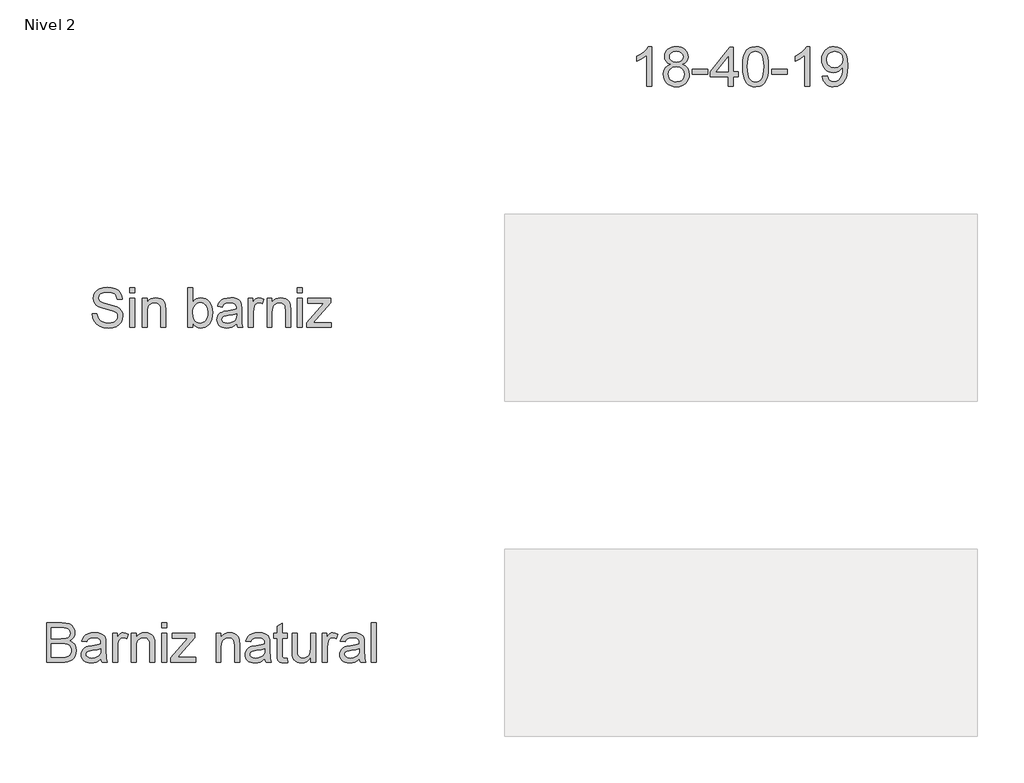
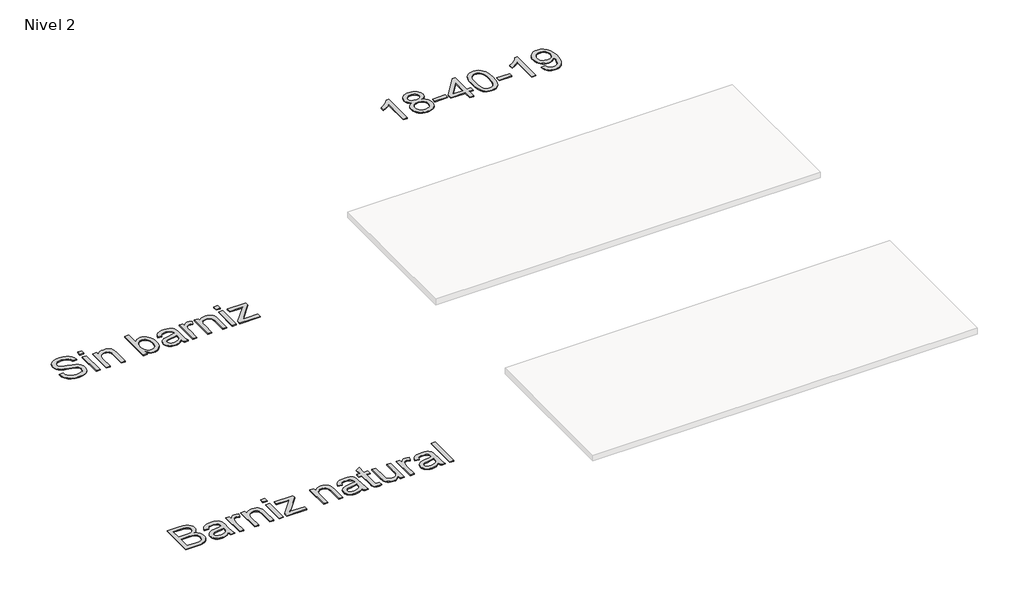
# One storey, part 13 of 51: 3 proxies.
"""IFC4 building model written with IfcOpenShell, lengths in millimetres."""

from ifc_helpers import new_model, si_unit, frame, origin, place, context, project, spatial, polyline, outline, extrude, element, save

model = new_model("IFC4")

# Units and contexts
model_context = context("Model", 3, world=origin())
ifc_project = project(units=[si_unit("LENGTHUNIT", "METRE", prefix="MILLI")], contexts=[model_context])

# Site, building, storey
site = spatial("IfcSite", under=ifc_project)
building = spatial("IfcBuilding", under=site)
storey = spatial("IfcBuildingStorey", under=building, Name="Nivel 2", Elevation=3000.0)

# Proxies
placement = place(None, origin())
element("IfcBuildingElementProxy", 1, Name="Texto de modelo 1", ObjectType="Texto de modelo 1", at=placement, inside=storey, context=model_context, shape_type="SweptSolid", body=[
    extrude(outline(polyline([(-14286.3795874, -18559.0358117), (-14236.1514323, -18559.0358117), (-14230.3879477, -18586.9090042), (-14219.9646245, -18609.3130177), (-14203.7042403, -18627.0939808), (-14180.4295728, -18641.0980221), (-14151.9800318, -18650.1847074), (-14120.1950274, -18653.2136024), (-14092.2114703, -18650.9204713), (-14067.7105294, -18644.041078), (-14047.8571644, -18633.151771), (-14033.8163349, -18618.8288986), (-14025.4654137, -18602.3845734), (-14022.6817732, -18585.1309079), (-14024.7664379, -18568.3187007), (-14031.0204318, -18553.7873619), (-14043.7246233, -18541.3897386), (-14065.1598809, -18530.9786782), (-14138.2948216, -18511.7997635), (-14186.3034219, -18499.1078347), (-14217.0215685, -18487.0290425), (-14242.0252815, -18470.1309962), (-14259.7449309, -18449.6522318), (-14270.3031442, -18426.0342077), (-14273.8225486, -18399.7183823), (-14269.4692783, -18370.3000854), (-14256.4094675, -18342.8683513), (-14234.9864726, -18319.6182092), (-14205.5436503, -18302.7446884), (-14170.2024533, -18292.4807807), (-14131.0843345, -18289.0594782), (-14088.7043286, -18292.6401962), (-14051.6218235, -18303.3823505), (-14021.1611943, -18321.0652117), (-13998.6468162, -18345.4680507), (-13984.3975203, -18375.0702886), (-13978.7321375, -18408.3513465), (-14028.9602926, -18408.3513465), (-14038.181868, -18378.3812266), (-14046.545052, -18366.5231636), (-14057.4098336, -18356.7497653), (-14087.4535298, -18343.6531662), (-14129.1222972, -18339.2876332), (-14171.7720831, -18343.6041153), (-14188.0753869, -18348.9997179), (-14201.0309645, -18356.5535615), (-14217.9535363, -18375.6098489), (-14223.5943935, -18398.2468543), (-14219.5967425, -18417.5483963), (-14207.6037895, -18433.0730165), (-14179.2523504, -18446.9544305), (-14125.59063, -18461.13015), (-14070.212127, -18474.5946311), (-14036.71034, -18486.3423294), (-14008.076858, -18504.5647509), (-13988.1008657, -18527.0546036), (-13976.36543, -18553.5666327), (-13972.4536181, -18583.8555836), (-13976.9540412, -18614.8189849), (-13990.4553104, -18643.9429762), (-14012.4056028, -18669.0080028), (-14042.2530954, -18687.79451), (-14078.1461154, -18699.5299456), (-14118.2329901, -18703.4417575), (-14167.4433383, -18699.2233773), (-14207.947146, -18686.5682367), (-14240.210397, -18665.4272847), (-14264.6990751, -18635.7514704), (-14280.419899, -18599.600933), (-14286.3795874, -18559.0358117)])), frame((0.0, 0.0, 3000.0), z_axis=(0.0, 0.0, 1.0), x_axis=(1.0, 0.0, 0.0)), (0.0, 0.0, 1.0), 10.0),
    extrude(outline(polyline([(-13903.3899049, -18345.5661526), (-13903.3899049, -18295.3379975), (-13853.1617498, -18295.3379975), (-13853.1617498, -18345.5661526), (-13903.3899049, -18345.5661526)])), frame((0.0, 0.0, 3000.0), z_axis=(0.0, 0.0, 1.0), x_axis=(1.0, 0.0, 0.0)), (0.0, 0.0, 1.0), 10.0),
    extrude(outline(polyline([(-13903.3899049, -18697.1632381), (-13903.3899049, -18402.0728271), (-13853.1617498, -18402.0728271), (-13853.1617498, -18697.1632381), (-13903.3899049, -18697.1632381)])), frame((0.0, 0.0, 3000.0), z_axis=(0.0, 0.0, 1.0), x_axis=(1.0, 0.0, 0.0)), (0.0, 0.0, 1.0), 10.0),
    extrude(outline(polyline([(-13777.8195172, -18697.1632381), (-13777.8195172, -18402.0728271), (-13727.5913622, -18402.0728271), (-13727.5913622, -18443.2756105), (-13710.1414929, -18422.5025405), (-13689.1844819, -18407.6646334), (-13664.7203292, -18398.7618891), (-13636.7490348, -18395.7943077), (-13611.9905765, -18398.1855407), (-13589.3167829, -18405.3592396), (-13570.4076484, -18416.4202249), (-13556.9431673, -18430.4733171), (-13547.8074311, -18447.481728), (-13541.884531, -18467.4086694), (-13539.2357806, -18515.9690928), (-13539.2357806, -18697.1632381), (-13589.4639357, -18697.1632381), (-13589.4639357, -18522.7381215), (-13590.9109382, -18496.7656526), (-13595.2519458, -18478.2979765), (-13603.2595105, -18465.0664874), (-13615.7061847, -18454.8025797), (-13631.6600005, -18448.217492), (-13650.1889904, -18446.0224628), (-13679.6072873, -18450.9520815), (-13704.6845766, -18465.7409377), (-13714.7062953, -18477.8135985), (-13721.8646658, -18494.313106), (-13726.1596881, -18515.2394602), (-13727.5913622, -18540.592661), (-13727.5913622, -18697.1632381), (-13777.8195172, -18697.1632381)])), frame((0.0, 0.0, 3000.0), z_axis=(0.0, 0.0, 1.0), x_axis=(1.0, 0.0, 0.0)), (0.0, 0.0, 1.0), 10.0),
    extrude(outline(polyline([(-13262.9809277, -18697.1632381), (-13313.2090828, -18697.1632381), (-13313.2090828, -18295.3379975), (-13262.9809277, -18295.3379975), (-13262.9809277, -18444.3547311), (-13246.4630261, -18423.1095458), (-13227.811409, -18407.9344135), (-13207.0260762, -18398.8293341), (-13184.107028, -18395.7943077), (-13158.232661, -18398.5288972), (-13133.780771, -18406.7326657), (-13112.1493097, -18419.8905784), (-13094.7362286, -18437.4876005), (-13081.0878066, -18459.3520537), (-13070.7503225, -18485.3122598), (-13064.2388112, -18514.2890983), (-13062.0683074, -18545.2034487), (-13064.3154533, -18580.8757395), (-13071.0568908, -18612.2560737), (-13082.2926201, -18639.3444512), (-13098.0226411, -18662.1408722), (-13116.9041845, -18680.2100095), (-13137.594481, -18693.1165362), (-13160.0935307, -18700.8604522), (-13184.4013335, -18703.4417575), (-13208.0745399, -18700.1124255), (-13229.0622078, -18690.1244293), (-13247.364337, -18673.477769), (-13262.9809277, -18650.1724446), (-13262.9809277, -18697.1632381)]), holes=[polyline([(-13262.9809277, -18547.5578934), (-13259.5473624, -18589.4473899), (-13249.2466666, -18617.798829), (-13237.0759039, -18633.2927924), (-13222.9308412, -18644.3599091), (-13206.8114784, -18651.0001791), (-13188.7178156, -18653.2136024), (-13173.6959675, -18651.5826589), (-13159.7287144, -18646.6898284), (-13146.8160564, -18638.5351108), (-13134.9579934, -18627.1185063), (-13125.0435736, -18612.4706715), (-13117.9618452, -18594.6222633), (-13113.7128082, -18573.5732819), (-13112.2964625, -18549.323727), (-13117.7288533, -18503.3630031), (-13124.5193418, -18485.5697772), (-13134.0260257, -18471.2346422), (-13145.4579587, -18460.2043137), (-13158.0241945, -18452.3255076), (-13171.7247331, -18447.598224), (-13186.5595746, -18446.0224628), (-13201.5814227, -18447.6534063), (-13215.5486758, -18452.5462368), (-13228.4613338, -18460.7009544), (-13240.3193968, -18472.117559), (-13250.2338166, -18486.6182409), (-13257.315545, -18504.0251907), (-13261.564582, -18524.3384082), (-13262.9809277, -18547.5578934)])]), frame((0.0, 0.0, 3000.0), z_axis=(0.0, 0.0, 1.0), x_axis=(1.0, 0.0, 0.0)), (0.0, 0.0, 1.0), 10.0),
    extrude(outline(polyline([(-12817.2060514, -18659.4921218), (-12841.2042202, -18680.0689881), (-12865.9136276, -18693.5334691), (-12891.8983592, -18700.9646854), (-12919.7225008, -18703.4417575), (-12942.0866604, -18701.9518354), (-12961.6978364, -18697.4820692), (-12978.5560288, -18690.0324588), (-12992.6612377, -18679.6030042), (-13003.7988651, -18666.8558931), (-13011.7543132, -18652.453313), (-13016.5275821, -18636.3952639), (-13018.1186717, -18618.6817458), (-13015.715176, -18597.8596249), (-13008.5046889, -18578.9504904), (-12997.3823899, -18562.7636826), (-12983.2434586, -18550.1085419), (-12966.6274551, -18540.5436101), (-12948.0739398, -18533.6274285), (-12904.6148135, -18526.0735849), (-12853.258487, -18518.1273338), (-12817.500357, -18508.8076566), (-12817.2060514, -18497.624044), (-12820.6641422, -18475.2077677), (-12831.0384144, -18460.5415388), (-12854.2395056, -18449.6522318), (-12886.5640703, -18446.0224628), (-12916.4851392, -18448.4382212), (-12937.3808365, -18455.6854965), (-12951.6301325, -18469.0886639), (-12961.6119973, -18489.9720985), (-13011.8401523, -18483.6935791), (-13003.1213491, -18456.2250568), (-12990.1105892, -18434.6426464), (-12971.5938621, -18418.1370075), (-12946.3571572, -18405.8987998), (-12915.4918578, -18398.3204307), (-12880.0893471, -18395.7943077), (-12846.133839, -18398.0261251), (-12819.2171397, -18404.7215774), (-12798.9223163, -18414.7892814), (-12784.8324359, -18427.1378537), (-12775.4882332, -18442.4049565), (-12769.430443, -18461.2282519), (-12766.9778964, -18505.1778876), (-12766.9778964, -18567.6687758), (-12764.4272479, -18654.9303851), (-12754.4208576, -18697.1632381), (-12804.6490127, -18697.1632381), (-12812.6933656, -18679.7011061), (-12817.2060514, -18659.4921218)]), holes=[polyline([(-12817.2060514, -18559.0358117), (-12850.9530931, -18567.3989957), (-12898.2381922, -18574.4378045), (-12941.4520639, -18582.5802594), (-12952.6969903, -18588.1475402), (-12961.0233861, -18595.8240112), (-12966.173734, -18605.0210611), (-12967.8905167, -18615.1500787), (-12964.150383, -18630.0860877), (-12952.9299822, -18642.3242954), (-12934.4745688, -18650.4912757), (-12909.0293974, -18653.2136024), (-12882.0513844, -18650.2092328), (-12858.2126312, -18641.1961239), (-12838.8865637, -18627.9155839), (-12825.4466081, -18612.1089209), (-12819.4869198, -18595.8240112), (-12817.500357, -18573.2605822), (-12817.2060514, -18559.0358117)])]), frame((0.0, 0.0, 3000.0), z_axis=(0.0, 0.0, 1.0), x_axis=(1.0, 0.0, 0.0)), (0.0, 0.0, 1.0), 10.0),
    extrude(outline(polyline([(-12697.9141831, -18697.1632381), (-12697.9141831, -18402.0728271), (-12653.9645474, -18402.0728271), (-12653.9645474, -18445.7281572), (-12637.7286887, -18420.4178759), (-12622.7681542, -18405.5063924), (-12607.7585688, -18398.2223289), (-12591.3755573, -18395.7943077), (-12566.3595816, -18399.6693314), (-12540.9511985, -18411.2944024), (-12557.7266175, -18456.3231586), (-12575.3849533, -18448.5976367), (-12593.043289, -18446.0224628), (-12608.0406117, -18448.4995349), (-12621.4437791, -18455.9307512), (-12632.2717725, -18467.7520259), (-12639.5435732, -18483.3992735), (-12645.6504143, -18511.456407), (-12647.686028, -18542.064189), (-12647.686028, -18697.1632381), (-12697.9141831, -18697.1632381)])), frame((0.0, 0.0, 3000.0), z_axis=(0.0, 0.0, 1.0), x_axis=(1.0, 0.0, 0.0)), (0.0, 0.0, 1.0), 10.0),
    extrude(outline(polyline([(-12509.5586016, -18697.1632381), (-12509.5586016, -18402.0728271), (-12459.3304465, -18402.0728271), (-12459.3304465, -18443.2756105), (-12441.8805772, -18422.5025405), (-12420.9235662, -18407.6646334), (-12396.4594135, -18398.7618891), (-12368.4881192, -18395.7943077), (-12343.7296609, -18398.1855407), (-12321.0558673, -18405.3592396), (-12302.1467327, -18416.4202249), (-12288.6822517, -18430.4733171), (-12279.5465155, -18447.481728), (-12273.6236154, -18467.4086694), (-12270.974865, -18515.9690928), (-12270.974865, -18697.1632381), (-12321.2030201, -18697.1632381), (-12321.2030201, -18522.7381215), (-12322.6500226, -18496.7656526), (-12326.9910301, -18478.2979765), (-12334.9985949, -18465.0664874), (-12347.4452691, -18454.8025797), (-12363.3990849, -18448.217492), (-12381.9280747, -18446.0224628), (-12411.3463716, -18450.9520815), (-12436.423661, -18465.7409377), (-12446.4453796, -18477.8135985), (-12453.6037501, -18494.313106), (-12457.8987724, -18515.2394602), (-12459.3304465, -18540.592661), (-12459.3304465, -18697.1632381), (-12509.5586016, -18697.1632381)])), frame((0.0, 0.0, 3000.0), z_axis=(0.0, 0.0, 1.0), x_axis=(1.0, 0.0, 0.0)), (0.0, 0.0, 1.0), 10.0),
    extrude(outline(polyline([(-12201.9111518, -18345.5661526), (-12201.9111518, -18295.3379975), (-12151.6829967, -18295.3379975), (-12151.6829967, -18345.5661526), (-12201.9111518, -18345.5661526)])), frame((0.0, 0.0, 3000.0), z_axis=(0.0, 0.0, 1.0), x_axis=(1.0, 0.0, 0.0)), (0.0, 0.0, 1.0), 10.0),
    extrude(outline(polyline([(-12201.9111518, -18697.1632381), (-12201.9111518, -18402.0728271), (-12151.6829967, -18402.0728271), (-12151.6829967, -18697.1632381), (-12201.9111518, -18697.1632381)])), frame((0.0, 0.0, 3000.0), z_axis=(0.0, 0.0, 1.0), x_axis=(1.0, 0.0, 0.0)), (0.0, 0.0, 1.0), 10.0),
    extrude(outline(polyline([(-12107.733361, -18697.1632381), (-12107.733361, -18649.878139), (-11934.3873649, -18452.3009821), (-11985.6946405, -18452.3009821), (-12095.1763222, -18452.3009821), (-12095.1763222, -18402.0728271), (-11862.871105, -18402.0728271), (-11862.871105, -18444.7471385), (-12016.5967281, -18620.0551719), (-12040.1411757, -18646.9350831), (-11982.0648714, -18646.9350831), (-11856.5925856, -18646.9350831), (-11856.5925856, -18697.1632381), (-12107.733361, -18697.1632381)])), frame((0.0, 0.0, 3000.0), z_axis=(0.0, 0.0, 1.0), x_axis=(1.0, 0.0, 0.0)), (0.0, 0.0, 1.0), 10.0),
])
element("IfcBuildingElementProxy", 2, Name="Texto de modelo 1", ObjectType="Texto de modelo 1", at=placement, inside=storey, context=model_context, shape_type="SweptSolid", body=[
    extrude(outline(polyline([(-14747.8507621, -22097.1632381), (-14747.8507621, -21695.3379975), (-14594.5175465, -21695.3379975), (-14552.3460071, -21698.2933162), (-14519.4205686, -21707.1592723), (-14494.1838637, -21722.156595), (-14475.0785254, -21743.5060134), (-14463.0487842, -21768.620091), (-14459.0388704, -21794.9113909), (-14462.4111221, -21819.1057634), (-14472.5278769, -21841.8531335), (-14489.4627114, -21861.7555494), (-14513.289202, -21877.4150597), (-14484.8273983, -21892.2774923), (-14463.7968109, -21914.8899723), (-14450.8105765, -21943.7564461), (-14446.4818317, -21977.3808605), (-14449.4371504, -22005.4012058), (-14458.3031064, -22031.3859374), (-14471.5345955, -22053.4833826), (-14487.5865133, -22069.8418686), (-14507.2436745, -22081.6876689), (-14531.2908943, -22090.2470566), (-14560.5129874, -22095.4341928), (-14595.6947689, -22097.1632381), (-14747.8507621, -22097.1632381)]), holes=[polyline([(-14697.622607, -21858.5795015), (-14605.8973629, -21858.5795015), (-14552.3337444, -21854.2630195), (-14533.5840254, -21846.8195404), (-14520.1072816, -21835.672716), (-14511.9770895, -21820.9942244), (-14509.2670255, -21802.9557439), (-14511.7931485, -21785.4445609), (-14519.3715176, -21770.1897208), (-14531.6587763, -21758.2826069), (-14548.3115679, -21750.8146024), (-14573.8671039, -21746.8782651), (-14612.8625954, -21745.5661526), (-14697.622607, -21745.5661526), (-14697.622607, -21858.5795015)]), polyline([(-14697.622607, -22046.9350831), (-14594.6156484, -22046.9350831), (-14557.3369395, -22044.9730458), (-14525.7971898, -22034.0346878), (-14514.2211697, -22024.604646), (-14504.9014925, -22011.7165134), (-14498.7578632, -21995.9466385), (-14496.7099867, -21977.8713698), (-14499.1134824, -21956.8775706), (-14506.3239695, -21938.8268274), (-14518.9177965, -21924.7124215), (-14537.4713118, -21915.5276344), (-14563.750349, -21910.4876511), (-14599.5207417, -21908.8076566), (-14697.622607, -21908.8076566), (-14697.622607, -22046.9350831)])]), frame((0.0, 0.0, 3000.0), z_axis=(0.0, 0.0, 1.0), x_axis=(1.0, 0.0, 0.0)), (0.0, 0.0, 1.0), 10.0),
    extrude(outline(polyline([(-14195.3410563, -22059.4921218), (-14219.3392251, -22080.0689881), (-14244.0486325, -22093.5334691), (-14270.033364, -22100.9646854), (-14297.8575056, -22103.4417575), (-14320.2216652, -22101.9518354), (-14339.8328413, -22097.4820692), (-14356.6910337, -22090.0324588), (-14370.7962425, -22079.6030042), (-14381.9338699, -22066.8558931), (-14389.8893181, -22052.453313), (-14394.662587, -22036.3952639), (-14396.2536766, -22018.6817458), (-14393.8501809, -21997.8596249), (-14386.6396938, -21978.9504904), (-14375.5173948, -21962.7636826), (-14361.3784634, -21950.1085419), (-14344.76246, -21940.5436101), (-14326.2089447, -21933.6274285), (-14282.7498183, -21926.0735849), (-14231.3934918, -21918.1273338), (-14195.6353619, -21908.8076566), (-14195.3410563, -21897.624044), (-14198.799147, -21875.2077677), (-14209.1734193, -21860.5415388), (-14232.3745105, -21849.6522318), (-14264.6990751, -21846.0224628), (-14294.6201441, -21848.4382212), (-14315.5158414, -21855.6854965), (-14329.7651373, -21869.0886639), (-14339.7470021, -21889.9720985), (-14389.9751572, -21883.6935791), (-14381.2563539, -21856.2250568), (-14368.245594, -21834.6426464), (-14349.7288669, -21818.1370075), (-14324.4921621, -21805.8987998), (-14293.6268627, -21798.3204307), (-14258.224352, -21795.7943077), (-14224.2688438, -21798.0261251), (-14197.3521445, -21804.7215774), (-14177.0573211, -21814.7892814), (-14162.9674407, -21827.1378537), (-14153.623238, -21842.4049565), (-14147.5654479, -21861.2282519), (-14145.1129012, -21905.1778876), (-14145.1129012, -21967.6687758), (-14142.5622527, -22054.9303851), (-14132.5558624, -22097.1632381), (-14182.7840175, -22097.1632381), (-14190.8283705, -22079.7011061), (-14195.3410563, -22059.4921218)]), holes=[polyline([(-14195.3410563, -21959.0358117), (-14229.088098, -21967.3989957), (-14276.3731971, -21974.4378045), (-14319.5870688, -21982.5802594), (-14330.8319951, -21988.1475402), (-14339.1583909, -21995.8240112), (-14344.3087389, -22005.0210611), (-14346.0255215, -22015.1500787), (-14342.2853879, -22030.0860877), (-14331.064987, -22042.3242954), (-14312.6095736, -22050.4912757), (-14287.1644023, -22053.2136024), (-14260.1863893, -22050.2092328), (-14236.347636, -22041.1961239), (-14217.0215685, -22027.9155839), (-14203.581613, -22012.1089209), (-14197.6219247, -21995.8240112), (-14195.6353619, -21973.2605822), (-14195.3410563, -21959.0358117)])]), frame((0.0, 0.0, 3000.0), z_axis=(0.0, 0.0, 1.0), x_axis=(1.0, 0.0, 0.0)), (0.0, 0.0, 1.0), 10.0),
    extrude(outline(polyline([(-14076.049188, -22097.1632381), (-14076.049188, -21802.0728271), (-14032.0995523, -21802.0728271), (-14032.0995523, -21845.7281572), (-14015.8636936, -21820.4178759), (-14000.9031591, -21805.5063924), (-13985.8935737, -21798.2223289), (-13969.5105622, -21795.7943077), (-13944.4945865, -21799.6693314), (-13919.0862034, -21811.2944024), (-13935.8616224, -21856.3231586), (-13953.5199581, -21848.5976367), (-13971.1782939, -21846.0224628), (-13986.1756166, -21848.4995349), (-13999.5787839, -21855.9307512), (-14010.4067773, -21867.7520259), (-14017.6785781, -21883.3992735), (-14023.7854192, -21911.456407), (-14025.8210329, -21942.064189), (-14025.8210329, -22097.1632381), (-14076.049188, -22097.1632381)])), frame((0.0, 0.0, 3000.0), z_axis=(0.0, 0.0, 1.0), x_axis=(1.0, 0.0, 0.0)), (0.0, 0.0, 1.0), 10.0),
    extrude(outline(polyline([(-13887.6936065, -22097.1632381), (-13887.6936065, -21802.0728271), (-13837.4654514, -21802.0728271), (-13837.4654514, -21843.2756105), (-13820.0155821, -21822.5025405), (-13799.0585711, -21807.6646334), (-13774.5944184, -21798.7618891), (-13746.623124, -21795.7943077), (-13721.8646658, -21798.1855407), (-13699.1908721, -21805.3592396), (-13680.2817376, -21816.4202249), (-13666.8172566, -21830.4733171), (-13657.6815203, -21847.481728), (-13651.7586202, -21867.4086694), (-13649.1098699, -21915.9690928), (-13649.1098699, -22097.1632381), (-13699.3380249, -22097.1632381), (-13699.3380249, -21922.7381215), (-13700.7850274, -21896.7656526), (-13705.126035, -21878.2979765), (-13713.1335997, -21865.0664874), (-13725.5802739, -21854.8025797), (-13741.5340898, -21848.217492), (-13760.0630796, -21846.0224628), (-13789.4813765, -21850.9520815), (-13814.5586658, -21865.7409377), (-13824.5803845, -21877.8135985), (-13831.738755, -21894.313106), (-13836.0337773, -21915.2394602), (-13837.4654514, -21940.592661), (-13837.4654514, -22097.1632381), (-13887.6936065, -22097.1632381)])), frame((0.0, 0.0, 3000.0), z_axis=(0.0, 0.0, 1.0), x_axis=(1.0, 0.0, 0.0)), (0.0, 0.0, 1.0), 10.0),
    extrude(outline(polyline([(-13580.0461566, -21745.5661526), (-13580.0461566, -21695.3379975), (-13529.8180016, -21695.3379975), (-13529.8180016, -21745.5661526), (-13580.0461566, -21745.5661526)])), frame((0.0, 0.0, 3000.0), z_axis=(0.0, 0.0, 1.0), x_axis=(1.0, 0.0, 0.0)), (0.0, 0.0, 1.0), 10.0),
    extrude(outline(polyline([(-13580.0461566, -22097.1632381), (-13580.0461566, -21802.0728271), (-13529.8180016, -21802.0728271), (-13529.8180016, -22097.1632381), (-13580.0461566, -22097.1632381)])), frame((0.0, 0.0, 3000.0), z_axis=(0.0, 0.0, 1.0), x_axis=(1.0, 0.0, 0.0)), (0.0, 0.0, 1.0), 10.0),
    extrude(outline(polyline([(-13485.8683659, -22097.1632381), (-13485.8683659, -22049.878139), (-13312.5223697, -21852.3009821), (-13363.8296453, -21852.3009821), (-13473.3113271, -21852.3009821), (-13473.3113271, -21802.0728271), (-13241.0061099, -21802.0728271), (-13241.0061099, -21844.7471385), (-13394.7317329, -22020.0551719), (-13418.2761806, -22046.9350831), (-13360.1998763, -22046.9350831), (-13234.7275905, -22046.9350831), (-13234.7275905, -22097.1632381), (-13485.8683659, -22097.1632381)])), frame((0.0, 0.0, 3000.0), z_axis=(0.0, 0.0, 1.0), x_axis=(1.0, 0.0, 0.0)), (0.0, 0.0, 1.0), 10.0),
    extrude(outline(polyline([(-13027.5364508, -22097.1632381), (-13027.5364508, -21802.0728271), (-12977.3082957, -21802.0728271), (-12977.3082957, -21843.2756105), (-12959.8584264, -21822.5025405), (-12938.9014154, -21807.6646334), (-12914.4372628, -21798.7618891), (-12886.4659684, -21795.7943077), (-12861.7075101, -21798.1855407), (-12839.0337165, -21805.3592396), (-12820.1245819, -21816.4202249), (-12806.6601009, -21830.4733171), (-12797.5243647, -21847.481728), (-12791.6014646, -21867.4086694), (-12788.9527142, -21915.9690928), (-12788.9527142, -22097.1632381), (-12839.1808693, -22097.1632381), (-12839.1808693, -21922.7381215), (-12840.6278718, -21896.7656526), (-12844.9688793, -21878.2979765), (-12852.9764441, -21865.0664874), (-12865.4231183, -21854.8025797), (-12881.3769341, -21848.217492), (-12899.9059239, -21846.0224628), (-12929.3242208, -21850.9520815), (-12954.4015102, -21865.7409377), (-12964.4232288, -21877.8135985), (-12971.5815993, -21894.313106), (-12975.8766216, -21915.2394602), (-12977.3082957, -21940.592661), (-12977.3082957, -22097.1632381), (-13027.5364508, -22097.1632381)])), frame((0.0, 0.0, 3000.0), z_axis=(0.0, 0.0, 1.0), x_axis=(1.0, 0.0, 0.0)), (0.0, 0.0, 1.0), 10.0),
    extrude(outline(polyline([(-12531.5334194, -22059.4921218), (-12555.5315883, -22080.0689881), (-12580.2409956, -22093.5334691), (-12606.2257272, -22100.9646854), (-12634.0498688, -22103.4417575), (-12656.4140284, -22101.9518354), (-12676.0252044, -22097.4820692), (-12692.8833968, -22090.0324588), (-12706.9886057, -22079.6030042), (-12718.1262331, -22066.8558931), (-12726.0816812, -22052.453313), (-12730.8549501, -22036.3952639), (-12732.4460397, -22018.6817458), (-12730.042544, -21997.8596249), (-12722.8320569, -21978.9504904), (-12711.7097579, -21962.7636826), (-12697.5708266, -21950.1085419), (-12680.9548231, -21940.5436101), (-12662.4013079, -21933.6274285), (-12618.9421815, -21926.0735849), (-12567.585855, -21918.1273338), (-12531.827725, -21908.8076566), (-12531.5334194, -21897.624044), (-12534.9915102, -21875.2077677), (-12545.3657825, -21860.5415388), (-12568.5668736, -21849.6522318), (-12600.8914383, -21846.0224628), (-12630.8125072, -21848.4382212), (-12651.7082045, -21855.6854965), (-12665.9575005, -21869.0886639), (-12675.9393653, -21889.9720985), (-12726.1675204, -21883.6935791), (-12717.4487171, -21856.2250568), (-12704.4379572, -21834.6426464), (-12685.9212301, -21818.1370075), (-12660.6845252, -21805.8987998), (-12629.8192258, -21798.3204307), (-12594.4167151, -21795.7943077), (-12560.461207, -21798.0261251), (-12533.5445077, -21804.7215774), (-12513.2496843, -21814.7892814), (-12499.1598039, -21827.1378537), (-12489.8156012, -21842.4049565), (-12483.757811, -21861.2282519), (-12481.3052644, -21905.1778876), (-12481.3052644, -21967.6687758), (-12478.7546159, -22054.9303851), (-12468.7482256, -22097.1632381), (-12518.9763807, -22097.1632381), (-12527.0207336, -22079.7011061), (-12531.5334194, -22059.4921218)]), holes=[polyline([(-12531.5334194, -21959.0358117), (-12565.2804611, -21967.3989957), (-12612.5655602, -21974.4378045), (-12655.7794319, -21982.5802594), (-12667.0243583, -21988.1475402), (-12675.3507541, -21995.8240112), (-12680.501102, -22005.0210611), (-12682.2178847, -22015.1500787), (-12678.477751, -22030.0860877), (-12667.2573502, -22042.3242954), (-12648.8019368, -22050.4912757), (-12623.3567654, -22053.2136024), (-12596.3787525, -22050.2092328), (-12572.5399992, -22041.1961239), (-12553.2139317, -22027.9155839), (-12539.7739761, -22012.1089209), (-12533.8142878, -21995.8240112), (-12531.827725, -21973.2605822), (-12531.5334194, -21959.0358117)])]), frame((0.0, 0.0, 3000.0), z_axis=(0.0, 0.0, 1.0), x_axis=(1.0, 0.0, 0.0)), (0.0, 0.0, 1.0), 10.0),
    extrude(outline(polyline([(-12305.5067216, -22055.2737416), (-12299.2282022, -22098.6347661), (-12336.8012167, -22103.4417575), (-12360.9097501, -22101.3570929), (-12378.8869169, -22095.103099), (-12391.5911085, -22085.4645907), (-12399.8807161, -22073.226383), (-12404.4424528, -22052.2080583), (-12405.9630318, -22016.2291992), (-12405.9630318, -21852.3009821), (-12443.6341481, -21852.3009821), (-12443.6341481, -21802.0728271), (-12405.9630318, -21802.0728271), (-12405.9630318, -21730.3603635), (-12355.7348767, -21700.831702), (-12355.7348767, -21802.0728271), (-12305.5067216, -21802.0728271), (-12305.5067216, -21852.3009821), (-12355.7348767, -21852.3009821), (-12355.7348767, -22014.7576712), (-12353.0861263, -22040.6565637), (-12344.5022131, -22049.8290881), (-12327.3834376, -22053.2136024), (-12305.5067216, -22055.2737416)])), frame((0.0, 0.0, 3000.0), z_axis=(0.0, 0.0, 1.0), x_axis=(1.0, 0.0, 0.0)), (0.0, 0.0, 1.0), 10.0),
    extrude(outline(polyline([(-12066.922985, -22097.1632381), (-12066.922985, -22046.4445737), (-12085.0963556, -22071.3808416), (-12106.261833, -22089.1924616), (-12130.4194174, -22099.8794335), (-12157.5691086, -22103.4417575), (-12182.0332613, -22100.94016), (-12204.8051568, -22093.4353673), (-12223.9104951, -22082.1536527), (-12237.3749761, -22068.3212897), (-12246.4371359, -22051.5213453), (-12252.3355106, -22031.3368865), (-12255.2785665, -21984.6403985), (-12255.2785665, -21802.0728271), (-12205.0504115, -21802.0728271), (-12205.0504115, -21960.997849), (-12202.0092536, -22012.2070227), (-12194.6884019, -22029.28901), (-12182.1436259, -22042.2752445), (-12165.2087914, -22050.4790129), (-12144.7177642, -22053.2136024), (-12123.0495147, -22050.4176993), (-12102.7792168, -22042.0299898), (-12086.0651115, -22028.8230262), (-12075.0654398, -22011.5693606), (-12068.9585987, -21987.9390738), (-12066.922985, -21955.6022464), (-12066.922985, -21802.0728271), (-12016.6948299, -21802.0728271), (-12016.6948299, -22097.1632381), (-12066.922985, -22097.1632381)])), frame((0.0, 0.0, 3000.0), z_axis=(0.0, 0.0, 1.0), x_axis=(1.0, 0.0, 0.0)), (0.0, 0.0, 1.0), 10.0),
    extrude(outline(polyline([(-11947.6311167, -22097.1632381), (-11947.6311167, -21802.0728271), (-11903.681481, -21802.0728271), (-11903.681481, -21845.7281572), (-11887.4456223, -21820.4178759), (-11872.4850878, -21805.5063924), (-11857.4755024, -21798.2223289), (-11841.0924909, -21795.7943077), (-11816.0765152, -21799.6693314), (-11790.6681321, -21811.2944024), (-11807.4435511, -21856.3231586), (-11825.1018868, -21848.5976367), (-11842.7602226, -21846.0224628), (-11857.7575453, -21848.4995349), (-11871.1607126, -21855.9307512), (-11881.988706, -21867.7520259), (-11889.2605068, -21883.3992735), (-11895.3673479, -21911.456407), (-11897.4029616, -21942.064189), (-11897.4029616, -22097.1632381), (-11947.6311167, -22097.1632381)])), frame((0.0, 0.0, 3000.0), z_axis=(0.0, 0.0, 1.0), x_axis=(1.0, 0.0, 0.0)), (0.0, 0.0, 1.0), 10.0),
    extrude(outline(polyline([(-11570.9199536, -22059.4921218), (-11594.9181225, -22080.0689881), (-11619.6275298, -22093.5334691), (-11645.6122614, -22100.9646854), (-11673.436403, -22103.4417575), (-11695.8005626, -22101.9518354), (-11715.4117386, -22097.4820692), (-11732.269931, -22090.0324588), (-11746.3751399, -22079.6030042), (-11757.5127673, -22066.8558931), (-11765.4682154, -22052.453313), (-11770.2414843, -22036.3952639), (-11771.8325739, -22018.6817458), (-11769.4290782, -21997.8596249), (-11762.2185911, -21978.9504904), (-11751.0962921, -21962.7636826), (-11736.9573608, -21950.1085419), (-11720.3413573, -21940.5436101), (-11701.7878421, -21933.6274285), (-11658.3287157, -21926.0735849), (-11606.9723892, -21918.1273338), (-11571.2142592, -21908.8076566), (-11570.9199536, -21897.624044), (-11574.3780444, -21875.2077677), (-11584.7523167, -21860.5415388), (-11607.9534078, -21849.6522318), (-11640.2779725, -21846.0224628), (-11670.1990414, -21848.4382212), (-11691.0947387, -21855.6854965), (-11705.3440347, -21869.0886639), (-11715.3258995, -21889.9720985), (-11765.5540545, -21883.6935791), (-11756.8352513, -21856.2250568), (-11743.8244914, -21834.6426464), (-11725.3077643, -21818.1370075), (-11700.0710594, -21805.8987998), (-11669.20576, -21798.3204307), (-11633.8032493, -21795.7943077), (-11599.8477412, -21798.0261251), (-11572.9310419, -21804.7215774), (-11552.6362185, -21814.7892814), (-11538.5463381, -21827.1378537), (-11529.2021354, -21842.4049565), (-11523.1443452, -21861.2282519), (-11520.6917986, -21905.1778876), (-11520.6917986, -21967.6687758), (-11518.1411501, -22054.9303851), (-11508.1347598, -22097.1632381), (-11558.3629149, -22097.1632381), (-11566.4072678, -22079.7011061), (-11570.9199536, -22059.4921218)]), holes=[polyline([(-11570.9199536, -21959.0358117), (-11604.6669953, -21967.3989957), (-11651.9520944, -21974.4378045), (-11695.1659661, -21982.5802594), (-11706.4108925, -21988.1475402), (-11714.7372883, -21995.8240112), (-11719.8876362, -22005.0210611), (-11721.6044189, -22015.1500787), (-11717.8642852, -22030.0860877), (-11706.6438844, -22042.3242954), (-11688.188471, -22050.4912757), (-11662.7432996, -22053.2136024), (-11635.7652867, -22050.2092328), (-11611.9265334, -22041.1961239), (-11592.6004659, -22027.9155839), (-11579.1605103, -22012.1089209), (-11573.200822, -21995.8240112), (-11571.2142592, -21973.2605822), (-11570.9199536, -21959.0358117)])]), frame((0.0, 0.0, 3000.0), z_axis=(0.0, 0.0, 1.0), x_axis=(1.0, 0.0, 0.0)), (0.0, 0.0, 1.0), 10.0),
    extrude(outline(polyline([(-11451.6280853, -22097.1632381), (-11451.6280853, -21695.3379975), (-11401.3999303, -21695.3379975), (-11401.3999303, -22097.1632381), (-11451.6280853, -22097.1632381)])), frame((0.0, 0.0, 3000.0), z_axis=(0.0, 0.0, 1.0), x_axis=(1.0, 0.0, 0.0)), (0.0, 0.0, 1.0), 10.0),
])
element("IfcBuildingElementProxy", 3, Name="Texto de modelo 1", ObjectType="Texto de modelo 1", at=placement, inside=storey, context=model_context, shape_type="SweptSolid", body=[
    extrude(outline(polyline([(-8605.2655998, -16247.1632381), (-8655.4937549, -16247.1632381), (-8655.4937549, -15934.0220838), (-8676.4630286, -15950.9814438), (-8703.0731596, -15967.9162783), (-8755.950065, -15993.2756105), (-8755.950065, -15945.7943077), (-8716.5008524, -15924.3345246), (-8682.3246151, -15898.8035142), (-8655.3833903, -15871.6538229), (-8637.6392154, -15845.3379975), (-8605.2655998, -15845.3379975), (-8605.2655998, -16247.1632381)])), frame((0.0, 0.0, 3000.0), z_axis=(0.0, 0.0, 1.0), x_axis=(1.0, 0.0, 0.0)), (0.0, 0.0, 1.0), 10.0),
    extrude(outline(polyline([(-8412.7897399, -16025.8454298), (-8439.6819138, -16012.601678), (-8458.5542601, -15994.6490366), (-8469.7010846, -15972.3553877), (-8473.4166927, -15946.0886133), (-8471.3933418, -15925.6037175), (-8465.3232889, -15906.8233417), (-8455.206534, -15889.7474857), (-8441.0430772, -15874.3761497), (-8423.5135001, -15861.6719581), (-8403.2983845, -15852.5975356), (-8380.3977303, -15847.152882), (-8354.8115375, -15845.3379975), (-8329.1027174, -15847.1958016), (-8306.0303849, -15852.7692138), (-8285.5945401, -15862.0582342), (-8267.7951829, -15875.0628627), (-8253.3742087, -15890.7346357), (-8243.0735128, -15908.0250895), (-8236.8930953, -15926.9342241), (-8234.8329561, -15947.4620394), (-8238.4995134, -15972.8826853), (-8249.499185, -15994.7961894), (-8267.9545984, -16012.6384662), (-8293.988381, -16025.8454298), (-8263.0740306, -16041.7747202), (-8240.5719153, -16065.2333288), (-8226.8499168, -16095.0930841), (-8222.2759174, -16130.2258146), (-8224.544523, -16155.2785785), (-8231.3503399, -16178.2466777), (-8242.6933681, -16199.1301123), (-8258.5736076, -16217.9288823), (-8278.1571924, -16233.4657652), (-8300.6102569, -16244.5635387), (-8325.9328009, -16251.2222028), (-8354.1248244, -16253.4417575), (-8382.316848, -16251.2130058), (-8407.639392, -16244.5267505), (-8430.0924564, -16233.3829917), (-8449.6760413, -16217.7817295), (-8465.5562808, -16198.8511351), (-8476.899309, -16177.7193802), (-8483.7051259, -16154.3864646), (-8485.9737315, -16128.8523885), (-8481.215791, -16092.3584946), (-8466.9419696, -16062.3393238), (-8443.8880313, -16039.8249457), (-8412.7897399, -16025.8454298)]), holes=[polyline([(-8423.1885377, -15947.5601413), (-8418.7371655, -15969.4859082), (-8405.3830491, -15986.9970911), (-8383.5185959, -15998.4750094), (-8353.5362133, -16002.3009821), (-8324.2528064, -15998.4995349), (-8302.719447, -15987.095193), (-8289.4756952, -15970.1726212), (-8285.0611112, -15949.8164842), (-8289.622848, -15928.6877949), (-8303.3080582, -15911.2134001), (-8325.1357232, -15899.4779645), (-8354.1248244, -15895.5661526), (-8383.2978667, -15899.3921254), (-8405.0887435, -15910.8700436), (-8418.6635891, -15927.6945135), (-8423.1885377, -15947.5601413)]), polyline([(-8435.7455764, -16127.0865549), (-8433.6486491, -16146.3022578), (-8427.357867, -16164.904824), (-8415.7450586, -16181.12842), (-8397.6820527, -16193.2072122), (-8376.0505914, -16200.7120049), (-8353.732417, -16203.2136024), (-8319.5439169, -16197.9528899), (-8305.6502402, -16191.3769993), (-8293.8902791, -16182.1707523), (-8277.8506241, -16158.2706854), (-8272.5040724, -16128.6561848), (-8278.0223024, -16098.5389121), (-8294.5769922, -16074.1115476), (-8306.6557843, -16064.6692431), (-8320.8192411, -16057.9247398), (-8355.4001487, -16052.5291372), (-8389.1104022, -16057.8511634), (-8402.847729, -16064.5036962), (-8414.5065226, -16073.817242), (-8430.435813, -16097.7786226), (-8435.7455764, -16127.0865549)])]), frame((0.0, 0.0, 3000.0), z_axis=(0.0, 0.0, 1.0), x_axis=(1.0, 0.0, 0.0)), (0.0, 0.0, 1.0), 10.0),
    extrude(outline(polyline([(-8190.8833205, -16127.8713698), (-8190.8833205, -16077.6432148), (-8033.9203358, -16077.6432148), (-8033.9203358, -16127.8713698), (-8190.8833205, -16127.8713698)])), frame((0.0, 0.0, 3000.0), z_axis=(0.0, 0.0, 1.0), x_axis=(1.0, 0.0, 0.0)), (0.0, 0.0, 1.0), 10.0),
    extrude(outline(polyline([(-7826.7291962, -16247.1632381), (-7826.7291962, -16152.9854474), (-8008.8062583, -16152.9854474), (-8008.8062583, -16102.7572923), (-7814.1721574, -15851.6165169), (-7776.5010411, -15851.6165169), (-7776.5010411, -16102.7572923), (-7726.272886, -16102.7572923), (-7726.272886, -16152.9854474), (-7776.5010411, -16152.9854474), (-7776.5010411, -16247.1632381), (-7826.7291962, -16247.1632381)]), holes=[polyline([(-7826.7291962, -16102.7572923), (-7826.7291962, -15947.5601413), (-7947.0020831, -16102.7572923), (-7826.7291962, -16102.7572923)])]), frame((0.0, 0.0, 3000.0), z_axis=(0.0, 0.0, 1.0), x_axis=(1.0, 0.0, 0.0)), (0.0, 0.0, 1.0), 10.0),
    extrude(outline(polyline([(-7682.3232503, -16049.4879794), (-7678.6321676, -15985.1699439), (-7667.5589196, -15933.874931), (-7649.2138708, -15894.8181259), (-7637.3558078, -15879.5847456), (-7623.7073858, -15867.2147135), (-7608.2226194, -15857.6436503), (-7590.8555236, -15850.8071765), (-7550.4743432, -15845.3379975), (-7519.5232047, -15848.5753591), (-7491.8094277, -15858.2874438), (-7468.6328621, -15874.0941068), (-7451.2933573, -15895.6152035), (-7438.1967583, -15922.6667929), (-7427.7489097, -15955.064934), (-7420.9063045, -15996.2064038), (-7418.6254362, -16049.4879794), (-7422.2797307, -16113.4381329), (-7433.2426141, -16164.6105184), (-7451.4772983, -16203.7041118), (-7463.3077702, -16218.9834773), (-7476.9469951, -16231.4178887), (-7492.4501556, -16241.0533313), (-7509.8724337, -16247.9357903), (-7550.4743432, -16253.4417575), (-7578.1390693, -16251.0505246), (-7602.6645356, -16243.8768256), (-7624.0507423, -16231.9206608), (-7642.2976892, -16215.18203), (-7659.8088722, -16184.9237359), (-7672.31686, -16147.2219628), (-7679.8216528, -16102.0767106), (-7682.3232503, -16049.4879794)]), holes=[polyline([(-7632.0950952, -16049.3898775), (-7630.6235673, -16093.0544047), (-7626.2089833, -16128.3986674), (-7618.8513434, -16155.4226656), (-7608.5506476, -16174.1263994), (-7596.0917106, -16186.8520507), (-7582.2593476, -16195.9418017), (-7567.0535585, -16201.3956523), (-7550.4743432, -16203.2136024), (-7533.895128, -16201.3895209), (-7518.6893389, -16195.9172762), (-7504.8569758, -16186.7968684), (-7492.3980389, -16174.0282975), (-7482.0973431, -16155.2939069), (-7474.7397032, -16128.27604), (-7470.3251192, -16092.9746969), (-7468.8535913, -16049.3898775), (-7470.2760683, -16006.881113), (-7474.5434994, -15972.159184), (-7481.6558847, -15945.2240906), (-7491.613224, -15926.0758327), (-7503.8636945, -15912.7278477), (-7517.855473, -15903.1935726), (-7533.5885597, -15897.4730076), (-7551.0629544, -15895.5661526), (-7567.5563306, -15897.2461471), (-7582.5046023, -15902.2861304), (-7595.9077697, -15910.6861026), (-7607.7658326, -15922.4460637), (-7618.409885, -15943.2927101), (-7626.0127796, -15971.3988946), (-7630.5745163, -16006.764617), (-7632.0950952, -16049.3898775)])]), frame((0.0, 0.0, 3000.0), z_axis=(0.0, 0.0, 1.0), x_axis=(1.0, 0.0, 0.0)), (0.0, 0.0, 1.0), 10.0),
    extrude(outline(polyline([(-7387.2328393, -16127.8713698), (-7387.2328393, -16077.6432148), (-7230.2698546, -16077.6432148), (-7230.2698546, -16127.8713698), (-7387.2328393, -16127.8713698)])), frame((0.0, 0.0, 3000.0), z_axis=(0.0, 0.0, 1.0), x_axis=(1.0, 0.0, 0.0)), (0.0, 0.0, 1.0), 10.0),
    extrude(outline(polyline([(-6997.9646374, -16247.1632381), (-7048.1927925, -16247.1632381), (-7048.1927925, -15934.0220838), (-7069.1620662, -15950.9814438), (-7095.7721972, -15967.9162783), (-7148.6491026, -15993.2756105), (-7148.6491026, -15945.7943077), (-7109.19989, -15924.3345246), (-7075.0236527, -15898.8035142), (-7048.0824279, -15871.6538229), (-7030.338253, -15845.3379975), (-6997.9646374, -15845.3379975), (-6997.9646374, -16247.1632381)])), frame((0.0, 0.0, 3000.0), z_axis=(0.0, 0.0, 1.0), x_axis=(1.0, 0.0, 0.0)), (0.0, 0.0, 1.0), 10.0),
    extrude(outline(polyline([(-6872.3942497, -16146.706928), (-6822.1660947, -16140.4284086), (-6813.5821814, -16168.9392632), (-6799.6026656, -16188.3511698), (-6780.5709037, -16199.4979943), (-6756.8302523, -16203.2136024), (-6735.5298848, -16200.8223695), (-6716.1670291, -16193.6486706), (-6700.0783232, -16182.4773207), (-6688.6004049, -16168.0931346), (-6672.1683425, -16124.4378045), (-6666.723689, -16096.0373145), (-6664.9088045, -16066.1652965), (-6665.2031101, -16056.35511), (-6682.6039284, -16077.5941638), (-6705.3758239, -16094.4186337), (-6731.8755903, -16105.3815172), (-6760.4600213, -16109.0358117), (-6784.3202344, -16106.8039942), (-6806.2613297, -16100.1085419), (-6826.2833073, -16088.9494547), (-6844.3861672, -16073.3267327), (-6859.3865555, -16054.0558475), (-6870.1011186, -16031.952271), (-6876.5298565, -16007.0160031), (-6878.6727691, -15979.2470438), (-6876.4256233, -15950.5522482), (-6869.6841857, -15924.8005085), (-6858.4484564, -15901.9918248), (-6842.7184355, -15882.1261971), (-6823.6039001, -15866.0313598), (-6802.2146278, -15854.5350474), (-6778.5506185, -15847.63726), (-6752.6118721, -15845.3379975), (-6715.1492223, -15850.5864473), (-6681.0465613, -15866.3317967), (-6652.523444, -15891.7892308), (-6631.7994249, -15926.1739346), (-6619.1810725, -15973.7042884), (-6614.974955, -16038.5986723), (-6619.1688097, -16107.4048682), (-6631.750374, -16160.5883419), (-6652.6092831, -16200.5525893), (-6666.1013553, -16216.4788141), (-6681.6351725, -16229.7011061), (-6698.8980351, -16240.0876411), (-6717.5772434, -16247.5065947), (-6759.1846971, -16253.4417575), (-6781.7419948, -16251.6912524), (-6802.1287887, -16246.4397369), (-6820.3450788, -16237.6872111), (-6836.3908651, -16225.433675), (-6849.8614775, -16210.0102223), (-6860.3522458, -16191.7479469), (-6867.8631698, -16170.6468488), (-6872.3942497, -16146.706928)]), holes=[polyline([(-6665.2031101, -15978.0698214), (-6670.6232381, -15944.0284741), (-6677.3983982, -15929.9508564), (-6686.8836223, -15917.8352761), (-6698.6129266, -15908.0925345), (-6712.1203272, -15901.1334335), (-6744.4694173, -15895.5661526), (-6762.0787021, -15897.0652717), (-6778.0202552, -15901.5626291), (-6792.2940767, -15909.0582248), (-6804.9001664, -15919.5520587), (-6815.2008622, -15932.4309942), (-6822.5585021, -15947.0818947), (-6826.9730861, -15963.5047601), (-6828.444614, -15981.6995904), (-6822.8773332, -16012.7365681), (-6815.9182321, -16025.8546269), (-6806.1754906, -16037.372399), (-6794.0537789, -16046.7503242), (-6779.9577671, -16053.4488422), (-6745.8428434, -16058.8076566), (-6713.7512707, -16053.4488422), (-6687.9136919, -16037.372399), (-6677.9778123, -16025.6277663), (-6670.8807555, -16011.8291258), (-6665.2031101, -15978.0698214)])]), frame((0.0, 0.0, 3000.0), z_axis=(0.0, 0.0, 1.0), x_axis=(1.0, 0.0, 0.0)), (0.0, 0.0, 1.0), 10.0),
])

save(model, "model.ifc")
